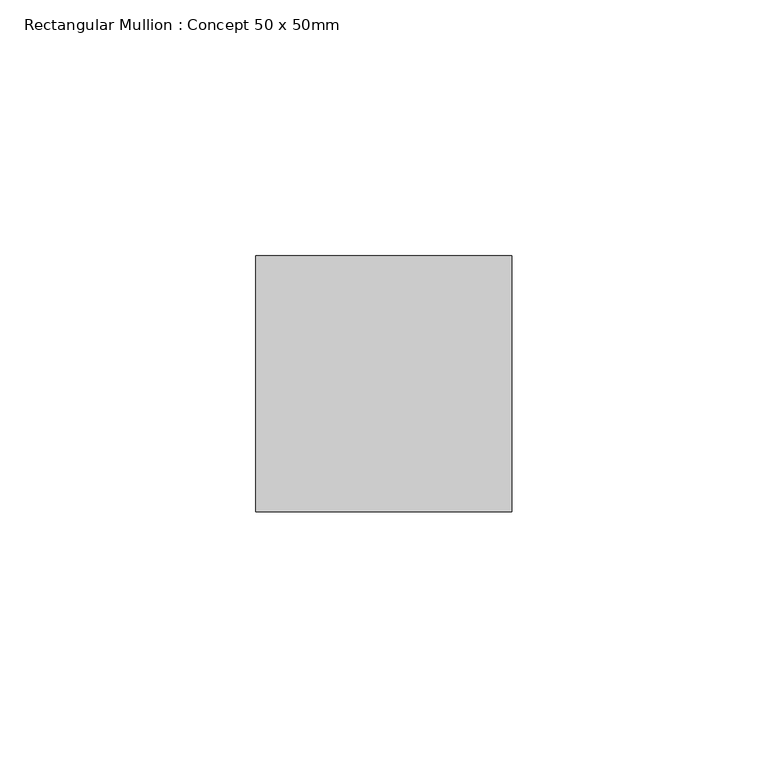
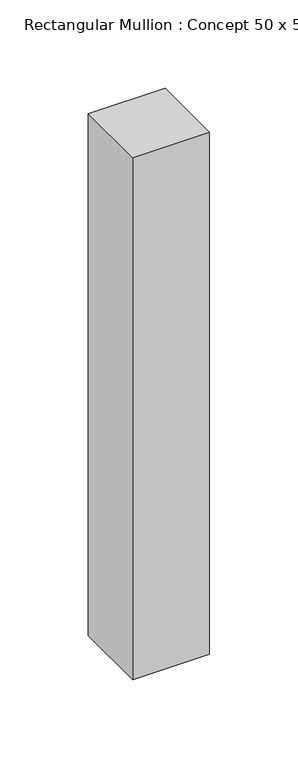
"""IFC4 building model written with IfcOpenShell, lengths in millimetres: member geometry, Rectangular Mullion : Concept 50 x 50mm."""

from ifc_helpers import new_model, si_unit, frame, origin, place, context, project, spatial, polyline, outline, extrude, source, transform, mapped, element, save


def rectangular_mullion_concept_50_x_50mm_a250109a(model_context):
    return source(origin(), model_context, "Body", "SweptSolid", [
        extrude(outline(polyline([(25.0, 50.0), (25.0, 0.0), (-25.0, 0.0), (-25.0, 50.0), (25.0, 50.0)])), frame((0.0, 0.0, -360.0), z_axis=(0.0, 0.0, 1.0), x_axis=(1.0, 0.0, 0.0)), (0.0, 0.0, 1.0), 360.0),
    ])


if __name__ == "__main__":
    model = new_model("IFC4")
    model_context = context("Model", 3, world=origin())
    ifc_project = project(units=[si_unit("LENGTHUNIT", "METRE", prefix="MILLI")], contexts=[model_context])
    site = spatial("IfcSite", under=ifc_project)
    building = spatial("IfcBuilding", under=site)
    placement = place(None, origin())
    rectangular_mullion_concept_50_x_50mm_shape = rectangular_mullion_concept_50_x_50mm_a250109a(model_context)
    element("IfcMember", 1, ObjectType="Rectangular Mullion : Concept 50 x 50mm", at=placement, inside=building, context=model_context, shape_type="MappedRepresentation", body=[
        mapped(rectangular_mullion_concept_50_x_50mm_shape, transform((0.0, 0.0, 0.0), x_axis=(1.0, 0.0, 0.0), y_axis=(0.0, 1.0, 0.0), z_axis=(0.0, 0.0, 1.0))),
    ])
    save(model, "model.ifc")
